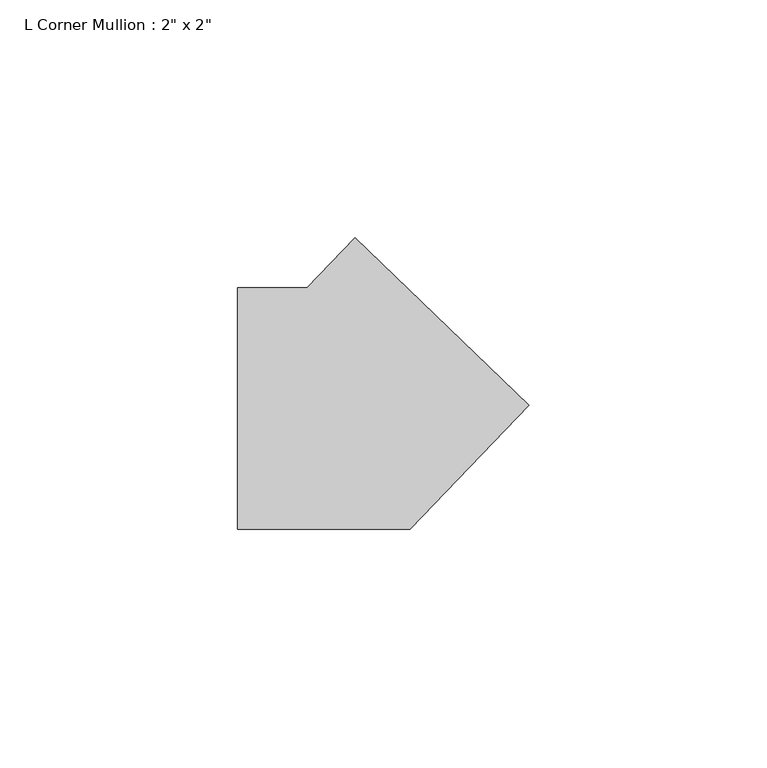
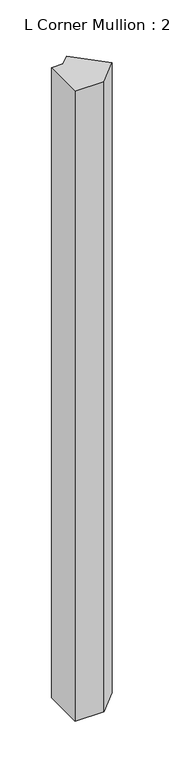
"""IFC4 building model written with IfcOpenShell, lengths in millimetres: member geometry."""

from ifc_helpers import new_model, si_unit, frame, origin, place, context, project, spatial, polyline, outline, extrude, source, transform, mapped, element, save


def member_534f77c8(model_context):
    return source(origin(), model_context, "Body", "SweptSolid", [
        extrude(outline(polyline([(35.913317, 0.7440862), (10.8305964, -25.4), (-25.4, -25.4), (-25.4, 25.4), (-10.8305964, 25.4), (-0.7440862, 35.913317), (35.913317, 0.7440862)])), frame((0.0, 0.0, -825.1599467), z_axis=(0.0, 0.0, 1.0), x_axis=(1.0, 0.0, 0.0)), (0.0, 0.0, 1.0), 825.1599467),
    ])


if __name__ == "__main__":
    model = new_model("IFC4")
    model_context = context("Model", 3, world=origin())
    ifc_project = project(units=[si_unit("LENGTHUNIT", "METRE", prefix="MILLI")], contexts=[model_context])
    site = spatial("IfcSite", under=ifc_project)
    building = spatial("IfcBuilding", under=site)
    placement = place(None, origin())
    member_shape = member_534f77c8(model_context)
    element("IfcMember", 1, ObjectType="L Corner Mullion : 2\" x 2\"", at=placement, inside=building, context=model_context, shape_type="MappedRepresentation", body=[
        mapped(member_shape, transform((0.0, 0.0, 0.0), x_axis=(1.0, 0.0, 0.0), y_axis=(0.0, 1.0, 0.0), z_axis=(0.0, 0.0, 1.0))),
    ])
    save(model, "model.ifc")
